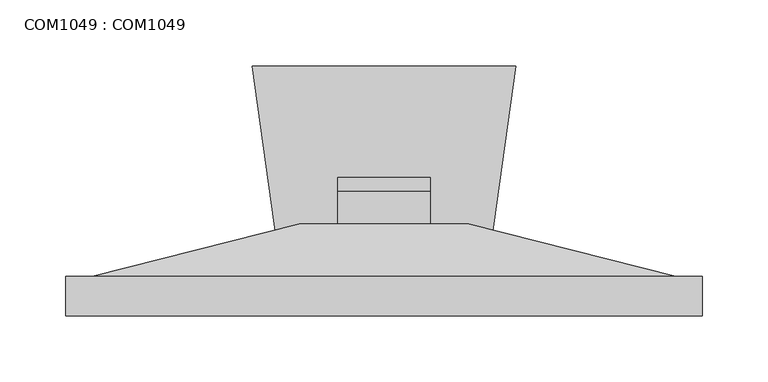
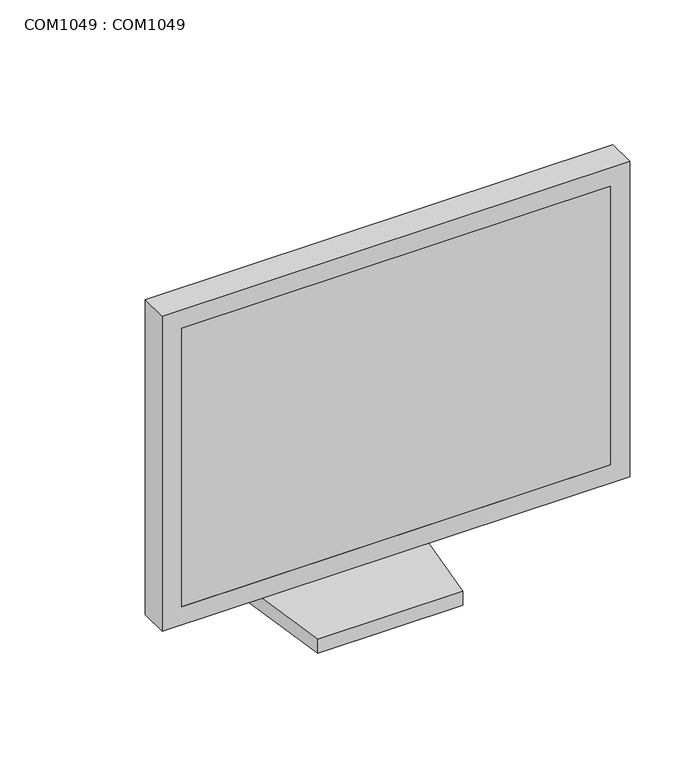
"""IFC4 building model written with IfcOpenShell, lengths in millimetres: proxy geometry, COM1049 : COM1049."""

from ifc_helpers import new_model, si_unit, frame, origin, origin_with_axes, place, context, project, spatial, polyline, outline, extrude, faceted_brep, source, transform, mapped, element, save


def com1049_com1049_14adb5c6(model_context):
    return source(origin(), model_context, "Body", "SolidModel", [
        extrude(outline(polyline([(35.0000007, -84.9999988), (35.0000007, -94.9999971), (-35.0000007, -94.9999971), (-35.0000007, -84.9999988), (35.0000007, -84.9999988)])), frame((0.0, 0.0, 14.9999997), z_axis=(0.0, 0.0, 1.0), x_axis=(1.0, 0.0, 0.0)), (0.0, 0.0, 1.0), 299.9999955),
        extrude(outline(polyline([(35.0000007, -94.9999971), (35.0000007, -119.9999973), (-35.0000007, -119.9999973), (-35.0000007, -94.9999971), (35.0000007, -94.9999971)])), frame((0.0, 0.0, 255.0000056), z_axis=(0.0, 0.0, 1.0), x_axis=(1.0, 0.0, 0.0)), (0.0, 0.0, 1.0), 9.9999892),
        faceted_brep([(-64.3500011, -119.9999973, 324.3500058), (64.3500011, -119.9999973, 324.3500058), (64.3500011, -119.9999973, 195.6499945), (-64.3500011, -119.9999973, 195.6499945), (-221.3, -160.0000085, 412.03), (-221.3, -160.0000085, 107.97), (221.3, -160.0000085, 107.97), (221.3, -160.0000085, 412.03)], [[[0, 1, 2, 3]], [[4, 5, 6, 7]], [[5, 4, 0, 3]], [[6, 5, 3, 2]], [[7, 6, 2, 1]], [[4, 7, 1, 0]]]),
        faceted_brep([(241.3, -160.0000085, 432.0299884), (-241.3, -160.0000085, 432.0299884), (-241.3, -189.9999942, 432.0299884), (241.3, -189.9999942, 432.0299884), (241.3, -160.0000085, 87.9700029), (241.3, -189.9999942, 87.9700029), (-241.3, -189.9999942, 87.9700029), (-241.3, -160.0000085, 87.9700029), (-221.3, -189.9999942, 412.03), (221.3, -189.9999942, 412.03), (221.3, -189.9999942, 107.97), (-221.3, -189.9999942, 107.97), (221.3, -189.7301489, 412.03), (-221.3, -189.7301489, 412.03), (-221.3, -189.7301489, 107.97), (221.3, -189.7301489, 107.97)], [[[0, 1, 2, 3]], [[4, 5, 6, 7]], [[1, 0, 4, 7]], [[2, 1, 7, 6]], [[3, 2, 6, 5], [8, 9, 10, 11]], [[0, 3, 5, 4]], [[12, 13, 14, 15]], [[13, 12, 9, 8]], [[14, 13, 8, 11]], [[15, 14, 11, 10]], [[12, 15, 10, 9]]]),
        extrude(outline(polyline([(-100.0000008, 0.0), (100.0000008, 0.0), (75.0000006, -180.000005), (-75.0000006, -180.000005), (-100.0000008, 0.0)])), origin_with_axes(), (0.0, 0.0, 1.0), 14.9999997),
    ])


if __name__ == "__main__":
    model = new_model("IFC4")
    model_context = context("Model", 3, world=origin())
    ifc_project = project(units=[si_unit("LENGTHUNIT", "METRE", prefix="MILLI")], contexts=[model_context])
    site = spatial("IfcSite", under=ifc_project)
    building = spatial("IfcBuilding", under=site)
    placement = place(None, origin())
    com1049_com1049_shape = com1049_com1049_14adb5c6(model_context)
    element("IfcBuildingElementProxy", 1, Name="COM1049 : COM1049", ObjectType="COM1049 : COM1049", at=placement, inside=building, context=model_context, shape_type="MappedRepresentation", body=[
        mapped(com1049_com1049_shape, transform((0.0, 0.0, 0.0), x_axis=(1.0, 0.0, 0.0), y_axis=(0.0, 1.0, 0.0), z_axis=(0.0, 0.0, 1.0))),
    ])
    save(model, "model.ifc")
